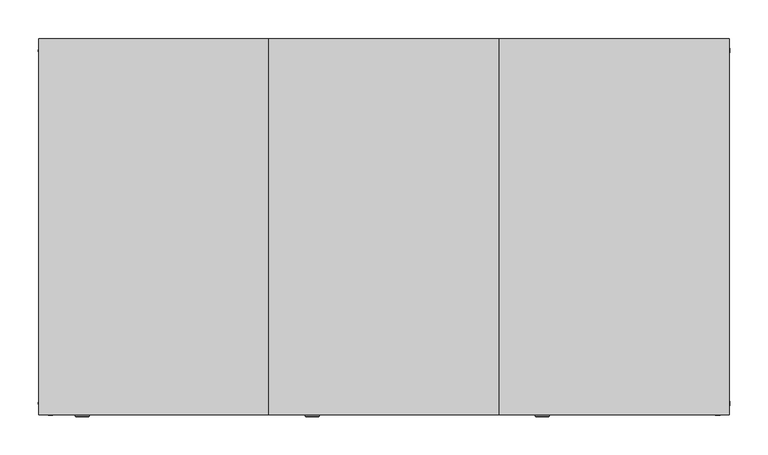
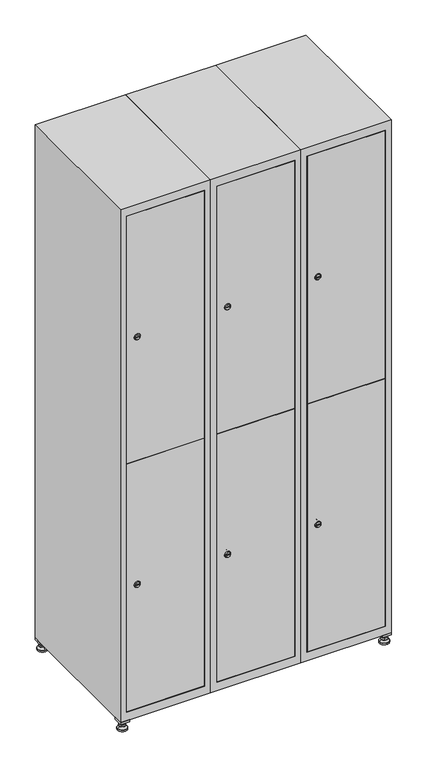
"""IFC4 building model written with IfcOpenShell, lengths in millimetres: furniture geometry."""

from ifc_helpers import new_model, si_unit, point, frame, frame_2d, origin, origin_with_axes, place, context, project, spatial, polyline, circle_curve, trimmed, segment, composite_curve, outline, extrude, faceted_brep, source, transform, mapped, element, save
from ifc_brep_helpers import plane_surface, revolved_surface, advanced_brep


def furniture_56a42b9b(model_context):
    return source(origin(), model_context, "Body", "SolidModel", [
        extrude(outline(polyline([(700.0, 245.0), (700.0, 215.0), (670.0, 215.0), (670.0, 245.0), (700.0, 245.0)]), holes=[polyline([(698.0, 243.0), (672.0, 243.0), (672.0, 217.0), (698.0, 217.0), (698.0, 243.0)])]), frame((0.0, 0.0, 28.5), z_axis=(0.0, 0.0, 1.0), x_axis=(1.0, 0.0, 0.0)), (0.0, 0.0, 1.0), 6.5),
        extrude(outline(polyline([(670.0, -245.0), (670.0, -215.0), (700.0, -215.0), (700.0, -245.0), (670.0, -245.0)]), holes=[polyline([(672.0, -243.0), (698.0, -243.0), (698.0, -217.0), (672.0, -217.0), (672.0, -243.0)])]), frame((0.0, 0.0, 28.5), z_axis=(0.0, 0.0, 1.0), x_axis=(1.0, 0.0, 0.0)), (0.0, 0.0, 1.0), 6.5),
        extrude(outline(polyline([(-170.0, 245.0), (-170.0, 215.0), (-200.0, 215.0), (-200.0, 245.0), (-170.0, 245.0)]), holes=[polyline([(-172.0, 243.0), (-198.0, 243.0), (-198.0, 217.0), (-172.0, 217.0), (-172.0, 243.0)])]), frame((0.0, 0.0, 28.5), z_axis=(0.0, 0.0, 1.0), x_axis=(1.0, 0.0, 0.0)), (0.0, 0.0, 1.0), 6.5),
        extrude(outline(polyline([(-170.0, -215.0), (-170.0, -245.0), (-200.0, -245.0), (-200.0, -215.0), (-170.0, -215.0)]), holes=[polyline([(-198.0, -243.0), (-172.0, -243.0), (-172.0, -217.0), (-198.0, -217.0), (-198.0, -243.0)])]), frame((0.0, 0.0, 28.5), z_axis=(0.0, 0.0, 1.0), x_axis=(1.0, 0.0, 0.0)), (0.0, 0.0, 1.0), 6.5),
        extrude(outline(composite_curve([segment(trimmed(circle_curve(frame_2d((-185.0, 230.0)), 5.0), [point((-180.0, 230.0))], [point((-190.0, 230.0))], False, "CARTESIAN"), True, "CONTINUOUS"), segment(trimmed(circle_curve(frame_2d((-185.0, 230.0)), 5.0), [point((-190.0, 230.0))], [point((-180.0, 230.0))], False, "CARTESIAN"), True, "CONTINUOUS")], self_intersect=False)), frame((0.0, 0.0, 19.6), z_axis=(0.0, 0.0, 1.0), x_axis=(1.0, 0.0, 0.0)), (0.0, 0.0, 1.0), 15.4),
        extrude(outline(composite_curve([segment(trimmed(circle_curve(frame_2d((-185.0, -230.0)), 5.0), [point((-180.0, -230.0))], [point((-190.0, -230.0))], False, "CARTESIAN"), True, "CONTINUOUS"), segment(trimmed(circle_curve(frame_2d((-185.0, -230.0)), 5.0), [point((-190.0, -230.0))], [point((-180.0, -230.0))], False, "CARTESIAN"), True, "CONTINUOUS")], self_intersect=False)), frame((0.0, 0.0, 19.6), z_axis=(0.0, 0.0, 1.0), x_axis=(1.0, 0.0, 0.0)), (0.0, 0.0, 1.0), 15.4),
        extrude(outline(composite_curve([segment(trimmed(circle_curve(frame_2d((685.0, 230.0)), 5.0), [point((690.0, 230.0))], [point((680.0, 230.0))], False, "CARTESIAN"), True, "CONTINUOUS"), segment(trimmed(circle_curve(frame_2d((685.0, 230.0)), 5.0), [point((680.0, 230.0))], [point((690.0, 230.0))], False, "CARTESIAN"), True, "CONTINUOUS")], self_intersect=False)), frame((0.0, 0.0, 19.6), z_axis=(0.0, 0.0, 1.0), x_axis=(1.0, 0.0, 0.0)), (0.0, 0.0, 1.0), 15.4),
        extrude(outline(polyline([(673.4529946, 230.0), (679.2264973, 240.0), (690.7735027, 240.0), (696.5470054, 230.0), (690.7735027, 220.0), (679.2264973, 220.0), (673.4529946, 230.0)])), frame((0.0, 0.0, 13.6), z_axis=(0.0, 0.0, 1.0), x_axis=(1.0, 0.0, 0.0)), (0.0, 0.0, 1.0), 6.0),
        extrude(outline(composite_curve([segment(trimmed(circle_curve(frame_2d((685.0, -230.0)), 5.0), [point((690.0, -230.0))], [point((680.0, -230.0))], False, "CARTESIAN"), True, "CONTINUOUS"), segment(trimmed(circle_curve(frame_2d((685.0, -230.0)), 5.0), [point((680.0, -230.0))], [point((690.0, -230.0))], False, "CARTESIAN"), True, "CONTINUOUS")], self_intersect=False)), frame((0.0, 0.0, 19.6), z_axis=(0.0, 0.0, 1.0), x_axis=(1.0, 0.0, 0.0)), (0.0, 0.0, 1.0), 15.4),
        extrude(outline(polyline([(673.4529946, -230.0), (679.2264973, -220.0), (690.7735027, -220.0), (696.5470054, -230.0), (690.7735027, -240.0), (679.2264973, -240.0), (673.4529946, -230.0)])), frame((0.0, 0.0, 13.6), z_axis=(0.0, 0.0, 1.0), x_axis=(1.0, 0.0, 0.0)), (0.0, 0.0, 1.0), 6.0),
        extrude(outline(composite_curve([segment(trimmed(circle_curve(frame_2d((685.0, 230.0)), 5.0), [point((690.0, 230.0))], [point((680.0, 230.0))], False, "CARTESIAN"), True, "CONTINUOUS"), segment(trimmed(circle_curve(frame_2d((685.0, 230.0)), 5.0), [point((680.0, 230.0))], [point((690.0, 230.0))], False, "CARTESIAN"), True, "CONTINUOUS")], self_intersect=False)), frame((0.0, 0.0, 12.1), z_axis=(0.0, 0.0, 1.0), x_axis=(1.0, 0.0, 0.0)), (0.0, 0.0, 1.0), 1.5),
        extrude(outline(composite_curve([segment(trimmed(circle_curve(frame_2d((685.0, -230.0)), 5.0), [point((690.0, -230.0))], [point((680.0, -230.0))], False, "CARTESIAN"), True, "CONTINUOUS"), segment(trimmed(circle_curve(frame_2d((685.0, -230.0)), 5.0), [point((680.0, -230.0))], [point((690.0, -230.0))], False, "CARTESIAN"), True, "CONTINUOUS")], self_intersect=False)), frame((0.0, 0.0, 12.1), z_axis=(0.0, 0.0, 1.0), x_axis=(1.0, 0.0, 0.0)), (0.0, 0.0, 1.0), 1.5),
        extrude(outline(polyline([(-196.5470054, 230.0), (-190.7735027, 240.0), (-179.2264973, 240.0), (-173.4529946, 230.0), (-179.2264973, 220.0), (-190.7735027, 220.0), (-196.5470054, 230.0)])), frame((0.0, 0.0, 13.6), z_axis=(0.0, 0.0, 1.0), x_axis=(1.0, 0.0, 0.0)), (0.0, 0.0, 1.0), 6.0),
        extrude(outline(polyline([(-196.5470054, -230.0), (-190.7735027, -220.0), (-179.2264973, -220.0), (-173.4529946, -230.0), (-179.2264973, -240.0), (-190.7735027, -240.0), (-196.5470054, -230.0)])), frame((0.0, 0.0, 13.6), z_axis=(0.0, 0.0, 1.0), x_axis=(1.0, 0.0, 0.0)), (0.0, 0.0, 1.0), 6.0),
        extrude(outline(composite_curve([segment(trimmed(circle_curve(frame_2d((-185.0, 230.0)), 5.0), [point((-185.0, 235.0))], [point((-185.0, 225.0))], False, "CARTESIAN"), True, "CONTINUOUS"), segment(trimmed(circle_curve(frame_2d((-185.0, 230.0)), 5.0), [point((-185.0, 225.0))], [point((-185.0, 235.0))], False, "CARTESIAN"), True, "CONTINUOUS")], self_intersect=False)), frame((0.0, 0.0, 12.1), z_axis=(0.0, 0.0, 1.0), x_axis=(1.0, 0.0, 0.0)), (0.0, 0.0, 1.0), 1.5),
        extrude(outline(composite_curve([segment(trimmed(circle_curve(frame_2d((-185.0, -230.0)), 5.0), [point((-180.0, -230.0))], [point((-190.0, -230.0))], False, "CARTESIAN"), True, "CONTINUOUS"), segment(trimmed(circle_curve(frame_2d((-185.0, -230.0)), 5.0), [point((-190.0, -230.0))], [point((-180.0, -230.0))], False, "CARTESIAN"), True, "CONTINUOUS")], self_intersect=False)), frame((0.0, 0.0, 12.1), z_axis=(0.0, 0.0, 1.0), x_axis=(1.0, 0.0, 0.0)), (0.0, 0.0, 1.0), 1.5),
        extrude(outline(composite_curve([segment(trimmed(circle_curve(frame_2d((685.0, 230.0)), 15.75), [point((700.75, 230.0))], [point((669.25, 230.0))], False, "CARTESIAN"), True, "CONTINUOUS"), segment(trimmed(circle_curve(frame_2d((685.0, 230.0)), 15.75), [point((669.25, 230.0))], [point((700.75, 230.0))], False, "CARTESIAN"), True, "CONTINUOUS")], self_intersect=False)), origin_with_axes(), (0.0, 0.0, 1.0), 5.1),
        extrude(outline(composite_curve([segment(trimmed(circle_curve(frame_2d((685.0, -230.0)), 15.75), [point((685.0, -214.25))], [point((685.0, -245.75))], False, "CARTESIAN"), True, "CONTINUOUS"), segment(trimmed(circle_curve(frame_2d((685.0, -230.0)), 15.75), [point((685.0, -245.75))], [point((685.0, -214.25))], False, "CARTESIAN"), True, "CONTINUOUS")], self_intersect=False)), origin_with_axes(), (0.0, 0.0, 1.0), 5.1),
        extrude(outline(composite_curve([segment(trimmed(circle_curve(frame_2d((-185.0, -230.0)), 15.75), [point((-169.25, -230.0))], [point((-200.75, -230.0))], False, "CARTESIAN"), True, "CONTINUOUS"), segment(trimmed(circle_curve(frame_2d((-185.0, -230.0)), 15.75), [point((-200.75, -230.0))], [point((-169.25, -230.0))], False, "CARTESIAN"), True, "CONTINUOUS")], self_intersect=False)), origin_with_axes(), (0.0, 0.0, 1.0), 5.1),
        extrude(outline(composite_curve([segment(trimmed(circle_curve(frame_2d((-185.0, 230.0)), 15.75), [point((-169.25, 230.0))], [point((-200.75, 230.0))], False, "CARTESIAN"), True, "CONTINUOUS"), segment(trimmed(circle_curve(frame_2d((-185.0, 230.0)), 15.75), [point((-200.75, 230.0))], [point((-169.25, 230.0))], False, "CARTESIAN"), True, "CONTINUOUS")], self_intersect=False)), origin_with_axes(), (0.0, 0.0, 1.0), 5.1),
        advanced_brep(
        [(-185.0, 245.75, 5.1), (-185.0, 214.25, 5.1), (-185.0, 239.5, 12.1), (-185.0, 220.5, 12.1)],
        [
            (0, 1, circle_curve(frame((-185.0, 230.0, 5.1), z_axis=(0.0, 0.0, -1.0), x_axis=(0.0, 1.0, 0.0)), 15.75)),
            (1, 0, circle_curve(frame((-185.0, 230.0, 5.1), z_axis=(0.0, 0.0, -1.0), x_axis=(0.0, -1.0, 0.0)), 15.75)),
            (2, 3, circle_curve(frame((-185.0, 230.0, 12.1), z_axis=(0.0, 0.0, 1.0), x_axis=(0.0, -1.0, 0.0)), 9.5)),
            (3, 2, circle_curve(frame((-185.0, 230.0, 12.1), z_axis=(0.0, 0.0, 1.0), x_axis=(0.0, 1.0, 0.0)), 9.5)),
            (3, 1),
            (0, 2),
        ],
        [
            plane_surface(frame((-185.0, 230.0, 5.1), z_axis=(0.0, 0.0, -1.0), x_axis=(1.0, 0.0, 0.0))),
            plane_surface(frame((-185.0, 230.0, 12.1), z_axis=(0.0, 0.0, 1.0), x_axis=(1.0, 0.0, 0.0))),
            revolved_surface(polyline([(-185.0, 220.5, 12.099999999999998), (-185.0, 214.25, 5.099999999999998)]), (-185.0, 230.0, 22.74), (0.0, 0.0, -1.0)),
            revolved_surface(polyline([(-185.0, 239.5, 12.099999999999998), (-185.0, 245.75, 5.099999999999998)]), (-185.0, 230.0, 22.74), (0.0, 0.0, -1.0)),
        ],
        [
            (0, [[1, 2]]),
            (1, [[3, 4]]),
            (2, [[-4, 5, -1, 6]]),
            (3, [[-3, -6, -2, -5]]),
        ],
    ),
        advanced_brep(
        [(685.0, 245.75, 5.1), (685.0, 214.25, 5.1), (685.0, 239.5, 12.1), (685.0, 220.5, 12.1)],
        [
            (0, 1, circle_curve(frame((685.0, 230.0, 5.1), z_axis=(0.0, 0.0, -1.0), x_axis=(0.0, 1.0, 0.0)), 15.75)),
            (1, 0, circle_curve(frame((685.0, 230.0, 5.1), z_axis=(0.0, 0.0, -1.0), x_axis=(0.0, -1.0, 0.0)), 15.75)),
            (2, 3, circle_curve(frame((685.0, 230.0, 12.1), z_axis=(0.0, 0.0, 1.0), x_axis=(0.0, -1.0, 0.0)), 9.5)),
            (3, 2, circle_curve(frame((685.0, 230.0, 12.1), z_axis=(0.0, 0.0, 1.0), x_axis=(0.0, 1.0, 0.0)), 9.5)),
            (3, 1),
            (0, 2),
        ],
        [
            plane_surface(frame((685.0, 230.0, 5.1), z_axis=(0.0, 0.0, -1.0), x_axis=(1.0, 0.0, 0.0))),
            plane_surface(frame((685.0, 230.0, 12.1), z_axis=(0.0, 0.0, 1.0), x_axis=(1.0, 0.0, 0.0))),
            revolved_surface(polyline([(685.0, 220.5, 12.099999999999998), (685.0, 214.25, 5.099999999999998)]), (685.0, 230.0, 22.74), (0.0, 0.0, -1.0)),
            revolved_surface(polyline([(685.0, 239.5, 12.099999999999998), (685.0, 245.75, 5.099999999999998)]), (685.0, 230.0, 22.74), (0.0, 0.0, -1.0)),
        ],
        [
            (0, [[1, 2]]),
            (1, [[3, 4]]),
            (2, [[-4, 5, -1, 6]]),
            (3, [[-3, -6, -2, -5]]),
        ],
    ),
        advanced_brep(
        [(694.5, -230.0, 12.1), (675.5, -230.0, 12.1), (700.75, -230.0, 5.1), (669.25, -230.0, 5.1)],
        [
            (0, 1, circle_curve(frame((685.0, -230.0, 12.1), z_axis=(0.0, 0.0, 1.0), x_axis=(1.0, 0.0, 0.0)), 9.5)),
            (1, 0, circle_curve(frame((685.0, -230.0, 12.1), z_axis=(0.0, 0.0, 1.0), x_axis=(-1.0, 0.0, 0.0)), 9.5)),
            (2, 3, circle_curve(frame((685.0, -230.0, 5.1), z_axis=(0.0, 0.0, -1.0), x_axis=(-1.0, 0.0, 0.0)), 15.75)),
            (3, 2, circle_curve(frame((685.0, -230.0, 5.1), z_axis=(0.0, 0.0, -1.0), x_axis=(1.0, 0.0, 0.0)), 15.75)),
            (3, 1),
            (0, 2),
        ],
        [
            plane_surface(frame((685.0, -230.0, 12.1), z_axis=(0.0, 0.0, 1.0), x_axis=(0.0, 1.0, 0.0))),
            plane_surface(frame((685.0, -230.0, 5.1), z_axis=(0.0, 0.0, -1.0), x_axis=(0.0, 1.0, 0.0))),
            revolved_surface(polyline([(694.5, -230.0, 12.099999999999998), (700.75, -230.0, 5.099999999999998)]), (685.0, -230.0, 22.74), (0.0, 0.0, -1.0)),
            revolved_surface(polyline([(675.5, -230.0, 12.099999999999998), (669.25, -230.0, 5.099999999999998)]), (685.0, -230.0, 22.74), (0.0, 0.0, -1.0)),
        ],
        [
            (0, [[1, 2]]),
            (1, [[3, 4]]),
            (2, [[-4, 5, -1, 6]]),
            (3, [[-3, -6, -2, -5]]),
        ],
    ),
        advanced_brep(
        [(-175.5, -230.0, 12.1), (-194.5, -230.0, 12.1), (-169.25, -230.0, 5.1), (-200.75, -230.0, 5.1)],
        [
            (0, 1, circle_curve(frame((-185.0, -230.0, 12.1), z_axis=(0.0, 0.0, 1.0), x_axis=(1.0, 0.0, 0.0)), 9.5)),
            (1, 0, circle_curve(frame((-185.0, -230.0, 12.1), z_axis=(0.0, 0.0, 1.0), x_axis=(-1.0, 0.0, 0.0)), 9.5)),
            (2, 3, circle_curve(frame((-185.0, -230.0, 5.1), z_axis=(0.0, 0.0, -1.0), x_axis=(-1.0, 0.0, 0.0)), 15.75)),
            (3, 2, circle_curve(frame((-185.0, -230.0, 5.1), z_axis=(0.0, 0.0, -1.0), x_axis=(1.0, 0.0, 0.0)), 15.75)),
            (3, 1),
            (0, 2),
        ],
        [
            plane_surface(frame((-185.0, -230.0, 12.1), z_axis=(0.0, 0.0, 1.0), x_axis=(0.0, 1.0, 0.0))),
            plane_surface(frame((-185.0, -230.0, 5.1), z_axis=(0.0, 0.0, -1.0), x_axis=(0.0, 1.0, 0.0))),
            revolved_surface(polyline([(-175.5, -230.0, 12.099999999999998), (-169.25, -230.0, 5.099999999999998)]), (-185.0, -230.0, 22.74), (0.0, 0.0, -1.0)),
            revolved_surface(polyline([(-194.5, -230.0, 12.099999999999998), (-200.75, -230.0, 5.099999999999998)]), (-185.0, -230.0, 22.74), (0.0, 0.0, -1.0)),
        ],
        [
            (0, [[1, 2]]),
            (1, [[3, 4]]),
            (2, [[-4, 5, -1, 6]]),
            (3, [[-3, -6, -2, -5]]),
        ],
    ),
        extrude(outline(composite_curve([segment(trimmed(circle_curve(frame_2d((500.6, 429.6010534)), 7.0), [point((507.6, 429.6010534))], [point((493.6, 429.6010534))], False, "CARTESIAN"), True, "CONTINUOUS"), segment(polyline([(493.6, 429.6010534), (493.6, 457.6010534)]), True, "CONTINUOUS"), segment(trimmed(circle_curve(frame_2d((500.6, 457.6010534)), 7.0), [point((493.6, 457.6010534))], [point((507.6, 457.6010534))], False, "CARTESIAN"), True, "CONTINUOUS"), segment(polyline([(507.6, 457.6010534), (507.6, 429.6010534)]), True, "CONTINUOUS")], self_intersect=False)), frame((0.0, -227.0, 0.0), z_axis=(0.0, 1.0, 0.0), x_axis=(0.0, 0.0, 1.0)), (0.0, 0.0, 1.0), 2.0),
        advanced_brep(
        [(464.9, -247.2, 500.6), (447.9, -247.2, 500.6), (451.4, -247.2, 499.35), (451.4, -247.2, 501.85), (461.4, -247.2, 501.85), (461.4, -247.2, 499.35), (466.9, -245.0, 500.6), (445.9, -245.0, 500.6), (451.4, -245.0, 501.85), (451.4, -245.0, 499.35), (461.4, -245.0, 499.35), (461.4, -245.0, 501.85)],
        [
            (0, 1, circle_curve(frame((456.4, -247.2, 500.6), z_axis=(0.0, -1.0, 0.0), x_axis=(1.0, 0.0, 0.0)), 8.5)),
            (1, 0, circle_curve(frame((456.4, -247.2, 500.6), z_axis=(0.0, -1.0, 0.0), x_axis=(-1.0, 0.0, 0.0)), 8.5)),
            (2, 3),
            (3, 4),
            (4, 5),
            (5, 2),
            (6, 7, circle_curve(frame((456.4, -245.0, 500.6), z_axis=(0.0, 1.0, 0.0), x_axis=(-1.0, 0.0, 0.0)), 10.5)),
            (7, 6, circle_curve(frame((456.4, -245.0, 500.6), z_axis=(0.0, 1.0, 0.0), x_axis=(1.0, 0.0, 0.0)), 10.5)),
            (8, 9),
            (9, 10),
            (10, 11),
            (11, 8),
            (0, 6),
            (7, 1),
            (8, 3),
            (2, 9),
            (11, 4),
            (10, 5),
        ],
        [
            plane_surface(frame((456.4, -247.2, 500.6), z_axis=(0.0, -1.0, 0.0), x_axis=(0.0, 0.0, 1.0))),
            plane_surface(frame((456.4, -245.0, 500.6), z_axis=(0.0, 1.0, 0.0), x_axis=(0.0, 0.0, 1.0))),
            revolved_surface(polyline([(464.9, -247.2, 500.6), (466.9, -245.0, 500.6)]), (456.4, -256.55, 500.6), (0.0, 1.0, 0.0)),
            revolved_surface(polyline([(447.9, -247.2, 500.6), (445.9, -245.0, 500.6)]), (456.4, -256.55, 500.6), (0.0, 1.0, 0.0)),
            plane_surface(frame((451.4, -245.0, 499.35), z_axis=(1.0, 0.0, 0.0), x_axis=(0.0, -1.0, 0.0))),
            plane_surface(frame((451.4, -245.0, 501.85), z_axis=(0.0, 0.0, -1.0), x_axis=(0.0, -1.0, 0.0))),
            plane_surface(frame((461.4, -245.0, 501.85), z_axis=(-1.0, 0.0, 0.0), x_axis=(0.0, -1.0, 0.0))),
            plane_surface(frame((461.4, -245.0, 499.35), z_axis=(0.0, 0.0, 1.0), x_axis=(0.0, -1.0, 0.0))),
        ],
        [
            (0, [[1, 2], [3, 4, 5, 6]]),
            (1, [[7, 8], [9, 10, 11, 12]]),
            (2, [[-1, 13, -8, 14]]),
            (3, [[-2, -14, -7, -13]]),
            (4, [[15, -3, 16, -9]]),
            (5, [[-15, -12, 17, -4]]),
            (6, [[-17, -11, 18, -5]]),
            (7, [[-16, -6, -18, -10]]),
        ],
    ),
        extrude(outline(composite_curve([segment(trimmed(circle_curve(frame_2d((1369.4, 429.6010534)), 7.0), [point((1376.4, 429.6010534))], [point((1362.4, 429.6010534))], False, "CARTESIAN"), True, "CONTINUOUS"), segment(polyline([(1362.4, 429.6010534), (1362.4, 457.6010534)]), True, "CONTINUOUS"), segment(trimmed(circle_curve(frame_2d((1369.4, 457.6010534)), 7.0), [point((1362.4, 457.6010534))], [point((1376.4, 457.6010534))], False, "CARTESIAN"), True, "CONTINUOUS"), segment(polyline([(1376.4, 457.6010534), (1376.4, 429.6010534)]), True, "CONTINUOUS")], self_intersect=False)), frame((0.0, -227.0, 0.0), z_axis=(0.0, 1.0, 0.0), x_axis=(0.0, 0.0, 1.0)), (0.0, 0.0, 1.0), 2.0),
        advanced_brep(
        [(464.9, -247.2, 1369.4), (447.9, -247.2, 1369.4), (451.4, -247.2, 1368.15), (451.4, -247.2, 1370.65), (461.4, -247.2, 1370.65), (461.4, -247.2, 1368.15), (466.9, -245.0, 1369.4), (445.9, -245.0, 1369.4), (451.4, -245.0, 1370.65), (451.4, -245.0, 1368.15), (461.4, -245.0, 1368.15), (461.4, -245.0, 1370.65)],
        [
            (0, 1, circle_curve(frame((456.4, -247.2, 1369.4), z_axis=(0.0, -1.0, 0.0), x_axis=(1.0, 0.0, 0.0)), 8.5)),
            (1, 0, circle_curve(frame((456.4, -247.2, 1369.4), z_axis=(0.0, -1.0, 0.0), x_axis=(-1.0, 0.0, 0.0)), 8.5)),
            (2, 3),
            (3, 4),
            (4, 5),
            (5, 2),
            (6, 7, circle_curve(frame((456.4, -245.0, 1369.4), z_axis=(0.0, 1.0, 0.0), x_axis=(-1.0, 0.0, 0.0)), 10.5)),
            (7, 6, circle_curve(frame((456.4, -245.0, 1369.4), z_axis=(0.0, 1.0, 0.0), x_axis=(1.0, 0.0, 0.0)), 10.5)),
            (8, 9),
            (9, 10),
            (10, 11),
            (11, 8),
            (0, 6),
            (7, 1),
            (8, 3),
            (2, 9),
            (11, 4),
            (10, 5),
        ],
        [
            plane_surface(frame((456.4, -247.2, 1369.4), z_axis=(0.0, -1.0, 0.0), x_axis=(0.0, 0.0, 1.0))),
            plane_surface(frame((456.4, -245.0, 1369.4), z_axis=(0.0, 1.0, 0.0), x_axis=(0.0, 0.0, 1.0))),
            revolved_surface(polyline([(464.9, -247.2, 1369.4), (466.9, -245.0, 1369.4)]), (456.4, -256.55, 1369.4), (0.0, 1.0, 0.0)),
            revolved_surface(polyline([(447.9, -247.2, 1369.4), (445.9, -245.0, 1369.4)]), (456.4, -256.55, 1369.4), (0.0, 1.0, 0.0)),
            plane_surface(frame((451.4, -245.0, 1368.15), z_axis=(1.0, 0.0, 0.0), x_axis=(0.0, -1.0, 0.0))),
            plane_surface(frame((451.4, -245.0, 1370.65), z_axis=(0.0, 0.0, -1.0), x_axis=(0.0, -1.0, 0.0))),
            plane_surface(frame((461.4, -245.0, 1370.65), z_axis=(-1.0, 0.0, 0.0), x_axis=(0.0, -1.0, 0.0))),
            plane_surface(frame((461.4, -245.0, 1368.15), z_axis=(0.0, 0.0, 1.0), x_axis=(0.0, -1.0, 0.0))),
        ],
        [
            (0, [[1, 2], [3, 4, 5, 6]]),
            (1, [[7, 8], [9, 10, 11, 12]]),
            (2, [[-1, 13, -8, 14]]),
            (3, [[-2, -14, -7, -13]]),
            (4, [[15, -3, 16, -9]]),
            (5, [[-15, -12, 17, -4]]),
            (6, [[-17, -11, 18, -5]]),
            (7, [[-16, -6, -18, -10]]),
        ],
    ),
        extrude(outline(polyline([(421.4, -245.0), (421.4, -227.0), (678.6, -227.0), (678.6, -245.0), (421.4, -245.0)])), frame((0.0, 0.0, 66.2), z_axis=(0.0, 0.0, 1.0), x_axis=(1.0, 0.0, 0.0)), (0.0, 0.0, 1.0), 868.3),
        extrude(outline(polyline([(678.6, -227.0), (678.6, -245.0), (421.4, -245.0), (421.4, -227.0), (678.6, -227.0)])), frame((0.0, 0.0, 935.5), z_axis=(0.0, 0.0, 1.0), x_axis=(1.0, 0.0, 0.0)), (0.0, 0.0, 1.0), 868.3),
        extrude(outline(polyline([(679.6, 242.0), (679.6, -227.0), (420.4, -227.0), (420.4, 242.0), (679.6, 242.0)])), frame((0.0, 0.0, 924.8), z_axis=(0.0, 0.0, 1.0), x_axis=(1.0, 0.0, 0.0)), (0.0, 0.0, 1.0), 20.4),
        faceted_brep([(700.0, -245.0, 35.0), (700.0, -245.0, 1835.0), (400.0, -245.0, 1835.0), (400.0, -245.0, 35.0), (679.6, -245.0, 1804.8), (679.6, -245.0, 65.2), (420.4, -245.0, 65.2), (420.4, -245.0, 1804.8), (700.0, 245.0, 35.0), (400.0, 245.0, 35.0), (700.0, 245.0, 1835.0), (400.0, 245.0, 1835.0), (679.6, 242.0, 1804.8), (679.6, 242.0, 65.2), (400.0, 245.0, 1804.8), (420.4, 242.0, 1804.8), (420.4, 242.0, 65.2)], [[[0, 1, 2, 3], [4, 5, 6, 7]], [[8, 0, 3, 9]], [[1, 0, 8, 10]], [[1, 10, 11, 2]], [[4, 12, 13, 5]], [[9, 3, 2, 11, 14]], [[10, 8, 9, 14, 11]], [[12, 15, 16, 13]], [[15, 7, 6, 16]], [[4, 7, 15, 12]], [[6, 5, 13, 16]]]),
        extrude(outline(composite_curve([segment(trimmed(circle_curve(frame_2d((500.6, 129.6010534)), 7.0), [point((507.6, 129.6010534))], [point((493.6, 129.6010534))], False, "CARTESIAN"), True, "CONTINUOUS"), segment(polyline([(493.6, 129.6010534), (493.6, 157.6010534)]), True, "CONTINUOUS"), segment(trimmed(circle_curve(frame_2d((500.6, 157.6010534)), 7.0), [point((493.6, 157.6010534))], [point((507.6, 157.6010534))], False, "CARTESIAN"), True, "CONTINUOUS"), segment(polyline([(507.6, 157.6010534), (507.6, 129.6010534)]), True, "CONTINUOUS")], self_intersect=False)), frame((0.0, -227.0, 0.0), z_axis=(0.0, 1.0, 0.0), x_axis=(0.0, 0.0, 1.0)), (0.0, 0.0, 1.0), 2.0),
        advanced_brep(
        [(164.9, -247.2, 500.6), (147.9, -247.2, 500.6), (151.4, -247.2, 499.35), (151.4, -247.2, 501.85), (161.4, -247.2, 501.85), (161.4, -247.2, 499.35), (166.9, -245.0, 500.6), (145.9, -245.0, 500.6), (151.4, -245.0, 501.85), (151.4, -245.0, 499.35), (161.4, -245.0, 499.35), (161.4, -245.0, 501.85)],
        [
            (0, 1, circle_curve(frame((156.4, -247.2, 500.6), z_axis=(0.0, -1.0, 0.0), x_axis=(1.0, 0.0, 0.0)), 8.5)),
            (1, 0, circle_curve(frame((156.4, -247.2, 500.6), z_axis=(0.0, -1.0, 0.0), x_axis=(-1.0, 0.0, 0.0)), 8.5)),
            (2, 3),
            (3, 4),
            (4, 5),
            (5, 2),
            (6, 7, circle_curve(frame((156.4, -245.0, 500.6), z_axis=(0.0, 1.0, 0.0), x_axis=(-1.0, 0.0, 0.0)), 10.5)),
            (7, 6, circle_curve(frame((156.4, -245.0, 500.6), z_axis=(0.0, 1.0, 0.0), x_axis=(1.0, 0.0, 0.0)), 10.5)),
            (8, 9),
            (9, 10),
            (10, 11),
            (11, 8),
            (0, 6),
            (7, 1),
            (8, 3),
            (2, 9),
            (11, 4),
            (10, 5),
        ],
        [
            plane_surface(frame((156.4, -247.2, 500.6), z_axis=(0.0, -1.0, 0.0), x_axis=(0.0, 0.0, 1.0))),
            plane_surface(frame((156.4, -245.0, 500.6), z_axis=(0.0, 1.0, 0.0), x_axis=(0.0, 0.0, 1.0))),
            revolved_surface(polyline([(164.9, -247.2, 500.6), (166.9, -245.0, 500.6)]), (156.4, -256.55, 500.6), (0.0, 1.0, 0.0)),
            revolved_surface(polyline([(147.9, -247.2, 500.6), (145.9, -245.0, 500.6)]), (156.4, -256.55, 500.6), (0.0, 1.0, 0.0)),
            plane_surface(frame((151.4, -245.0, 499.35), z_axis=(1.0, 0.0, 0.0), x_axis=(0.0, -1.0, 0.0))),
            plane_surface(frame((151.4, -245.0, 501.85), z_axis=(0.0, 0.0, -1.0), x_axis=(0.0, -1.0, 0.0))),
            plane_surface(frame((161.4, -245.0, 501.85), z_axis=(-1.0, 0.0, 0.0), x_axis=(0.0, -1.0, 0.0))),
            plane_surface(frame((161.4, -245.0, 499.35), z_axis=(0.0, 0.0, 1.0), x_axis=(0.0, -1.0, 0.0))),
        ],
        [
            (0, [[1, 2], [3, 4, 5, 6]]),
            (1, [[7, 8], [9, 10, 11, 12]]),
            (2, [[-1, 13, -8, 14]]),
            (3, [[-2, -14, -7, -13]]),
            (4, [[15, -3, 16, -9]]),
            (5, [[-15, -12, 17, -4]]),
            (6, [[-17, -11, 18, -5]]),
            (7, [[-16, -6, -18, -10]]),
        ],
    ),
        extrude(outline(composite_curve([segment(trimmed(circle_curve(frame_2d((1369.4, 129.6010534)), 7.0), [point((1376.4, 129.6010534))], [point((1362.4, 129.6010534))], False, "CARTESIAN"), True, "CONTINUOUS"), segment(polyline([(1362.4, 129.6010534), (1362.4, 157.6010534)]), True, "CONTINUOUS"), segment(trimmed(circle_curve(frame_2d((1369.4, 157.6010534)), 7.0), [point((1362.4, 157.6010534))], [point((1376.4, 157.6010534))], False, "CARTESIAN"), True, "CONTINUOUS"), segment(polyline([(1376.4, 157.6010534), (1376.4, 129.6010534)]), True, "CONTINUOUS")], self_intersect=False)), frame((0.0, -227.0, 0.0), z_axis=(0.0, 1.0, 0.0), x_axis=(0.0, 0.0, 1.0)), (0.0, 0.0, 1.0), 2.0),
        advanced_brep(
        [(164.9, -247.2, 1369.4), (147.9, -247.2, 1369.4), (151.4, -247.2, 1368.15), (151.4, -247.2, 1370.65), (161.4, -247.2, 1370.65), (161.4, -247.2, 1368.15), (166.9, -245.0, 1369.4), (145.9, -245.0, 1369.4), (151.4, -245.0, 1370.65), (151.4, -245.0, 1368.15), (161.4, -245.0, 1368.15), (161.4, -245.0, 1370.65)],
        [
            (0, 1, circle_curve(frame((156.4, -247.2, 1369.4), z_axis=(0.0, -1.0, 0.0), x_axis=(1.0, 0.0, 0.0)), 8.5)),
            (1, 0, circle_curve(frame((156.4, -247.2, 1369.4), z_axis=(0.0, -1.0, 0.0), x_axis=(-1.0, 0.0, 0.0)), 8.5)),
            (2, 3),
            (3, 4),
            (4, 5),
            (5, 2),
            (6, 7, circle_curve(frame((156.4, -245.0, 1369.4), z_axis=(0.0, 1.0, 0.0), x_axis=(-1.0, 0.0, 0.0)), 10.5)),
            (7, 6, circle_curve(frame((156.4, -245.0, 1369.4), z_axis=(0.0, 1.0, 0.0), x_axis=(1.0, 0.0, 0.0)), 10.5)),
            (8, 9),
            (9, 10),
            (10, 11),
            (11, 8),
            (0, 6),
            (7, 1),
            (8, 3),
            (2, 9),
            (11, 4),
            (10, 5),
        ],
        [
            plane_surface(frame((156.4, -247.2, 1369.4), z_axis=(0.0, -1.0, 0.0), x_axis=(0.0, 0.0, 1.0))),
            plane_surface(frame((156.4, -245.0, 1369.4), z_axis=(0.0, 1.0, 0.0), x_axis=(0.0, 0.0, 1.0))),
            revolved_surface(polyline([(164.9, -247.2, 1369.4), (166.9, -245.0, 1369.4)]), (156.4, -256.55, 1369.4), (0.0, 1.0, 0.0)),
            revolved_surface(polyline([(147.9, -247.2, 1369.4), (145.9, -245.0, 1369.4)]), (156.4, -256.55, 1369.4), (0.0, 1.0, 0.0)),
            plane_surface(frame((151.4, -245.0, 1368.15), z_axis=(1.0, 0.0, 0.0), x_axis=(0.0, -1.0, 0.0))),
            plane_surface(frame((151.4, -245.0, 1370.65), z_axis=(0.0, 0.0, -1.0), x_axis=(0.0, -1.0, 0.0))),
            plane_surface(frame((161.4, -245.0, 1370.65), z_axis=(-1.0, 0.0, 0.0), x_axis=(0.0, -1.0, 0.0))),
            plane_surface(frame((161.4, -245.0, 1368.15), z_axis=(0.0, 0.0, 1.0), x_axis=(0.0, -1.0, 0.0))),
        ],
        [
            (0, [[1, 2], [3, 4, 5, 6]]),
            (1, [[7, 8], [9, 10, 11, 12]]),
            (2, [[-1, 13, -8, 14]]),
            (3, [[-2, -14, -7, -13]]),
            (4, [[15, -3, 16, -9]]),
            (5, [[-15, -12, 17, -4]]),
            (6, [[-17, -11, 18, -5]]),
            (7, [[-16, -6, -18, -10]]),
        ],
    ),
        extrude(outline(polyline([(121.4, -245.0), (121.4, -227.0), (378.6, -227.0), (378.6, -245.0), (121.4, -245.0)])), frame((0.0, 0.0, 66.2), z_axis=(0.0, 0.0, 1.0), x_axis=(1.0, 0.0, 0.0)), (0.0, 0.0, 1.0), 868.3),
        extrude(outline(polyline([(378.6, -227.0), (378.6, -245.0), (121.4, -245.0), (121.4, -227.0), (378.6, -227.0)])), frame((0.0, 0.0, 935.5), z_axis=(0.0, 0.0, 1.0), x_axis=(1.0, 0.0, 0.0)), (0.0, 0.0, 1.0), 868.3),
        extrude(outline(polyline([(379.6, 242.0), (379.6, -227.0), (120.4, -227.0), (120.4, 242.0), (379.6, 242.0)])), frame((0.0, 0.0, 924.8), z_axis=(0.0, 0.0, 1.0), x_axis=(1.0, 0.0, 0.0)), (0.0, 0.0, 1.0), 20.4),
        faceted_brep([(400.0, -245.0, 35.0), (400.0, -245.0, 1835.0), (100.0, -245.0, 1835.0), (100.0, -245.0, 35.0), (379.6, -245.0, 1804.8), (379.6, -245.0, 65.2), (120.4, -245.0, 65.2), (120.4, -245.0, 1804.8), (400.0, 245.0, 35.0), (100.0, 245.0, 35.0), (400.0, 245.0, 1835.0), (100.0, 245.0, 1835.0), (379.6, 242.0, 1804.8), (379.6, 242.0, 65.2), (100.0, 245.0, 1804.8), (120.4, 242.0, 1804.8), (120.4, 242.0, 65.2)], [[[0, 1, 2, 3], [4, 5, 6, 7]], [[8, 0, 3, 9]], [[1, 0, 8, 10]], [[1, 10, 11, 2]], [[4, 12, 13, 5]], [[9, 3, 2, 11, 14]], [[10, 8, 9, 14, 11]], [[12, 15, 16, 13]], [[15, 7, 6, 16]], [[4, 7, 15, 12]], [[6, 5, 13, 16]]]),
        extrude(outline(composite_curve([segment(trimmed(circle_curve(frame_2d((500.6, -170.3989466)), 7.0), [point((507.6, -170.3989466))], [point((493.6, -170.3989466))], False, "CARTESIAN"), True, "CONTINUOUS"), segment(polyline([(493.6, -170.3989466), (493.6, -142.3989466)]), True, "CONTINUOUS"), segment(trimmed(circle_curve(frame_2d((500.6, -142.3989466)), 7.0), [point((493.6, -142.3989466))], [point((507.6, -142.3989466))], False, "CARTESIAN"), True, "CONTINUOUS"), segment(polyline([(507.6, -142.3989466), (507.6, -170.3989466)]), True, "CONTINUOUS")], self_intersect=False)), frame((0.0, -227.0, 0.0), z_axis=(0.0, 1.0, 0.0), x_axis=(0.0, 0.0, 1.0)), (0.0, 0.0, 1.0), 2.0),
        advanced_brep(
        [(-135.1, -247.2, 500.6), (-152.1, -247.2, 500.6), (-148.6, -247.2, 499.35), (-148.6, -247.2, 501.85), (-138.6, -247.2, 501.85), (-138.6, -247.2, 499.35), (-133.1, -245.0, 500.6), (-154.1, -245.0, 500.6), (-148.6, -245.0, 501.85), (-148.6, -245.0, 499.35), (-138.6, -245.0, 499.35), (-138.6, -245.0, 501.85)],
        [
            (0, 1, circle_curve(frame((-143.6, -247.2, 500.6), z_axis=(0.0, -1.0, 0.0), x_axis=(1.0, 0.0, 0.0)), 8.5)),
            (1, 0, circle_curve(frame((-143.6, -247.2, 500.6), z_axis=(0.0, -1.0, 0.0), x_axis=(-1.0, 0.0, 0.0)), 8.5)),
            (2, 3),
            (3, 4),
            (4, 5),
            (5, 2),
            (6, 7, circle_curve(frame((-143.6, -245.0, 500.6), z_axis=(0.0, 1.0, 0.0), x_axis=(-1.0, 0.0, 0.0)), 10.5)),
            (7, 6, circle_curve(frame((-143.6, -245.0, 500.6), z_axis=(0.0, 1.0, 0.0), x_axis=(1.0, 0.0, 0.0)), 10.5)),
            (8, 9),
            (9, 10),
            (10, 11),
            (11, 8),
            (0, 6),
            (7, 1),
            (8, 3),
            (2, 9),
            (11, 4),
            (10, 5),
        ],
        [
            plane_surface(frame((-143.6, -247.2, 500.6), z_axis=(0.0, -1.0, 0.0), x_axis=(0.0, 0.0, 1.0))),
            plane_surface(frame((-143.6, -245.0, 500.6), z_axis=(0.0, 1.0, 0.0), x_axis=(0.0, 0.0, 1.0))),
            revolved_surface(polyline([(-135.1, -247.2, 500.6), (-133.1, -245.0, 500.6)]), (-143.6, -256.55, 500.6), (0.0, 1.0, 0.0)),
            revolved_surface(polyline([(-152.1, -247.2, 500.6), (-154.1, -245.0, 500.6)]), (-143.6, -256.55, 500.6), (0.0, 1.0, 0.0)),
            plane_surface(frame((-148.6, -245.0, 499.35), z_axis=(1.0, 0.0, 0.0), x_axis=(0.0, -1.0, 0.0))),
            plane_surface(frame((-148.6, -245.0, 501.85), z_axis=(0.0, 0.0, -1.0), x_axis=(0.0, -1.0, 0.0))),
            plane_surface(frame((-138.6, -245.0, 501.85), z_axis=(-1.0, 0.0, 0.0), x_axis=(0.0, -1.0, 0.0))),
            plane_surface(frame((-138.6, -245.0, 499.35), z_axis=(0.0, 0.0, 1.0), x_axis=(0.0, -1.0, 0.0))),
        ],
        [
            (0, [[1, 2], [3, 4, 5, 6]]),
            (1, [[7, 8], [9, 10, 11, 12]]),
            (2, [[-1, 13, -8, 14]]),
            (3, [[-2, -14, -7, -13]]),
            (4, [[15, -3, 16, -9]]),
            (5, [[-15, -12, 17, -4]]),
            (6, [[-17, -11, 18, -5]]),
            (7, [[-16, -6, -18, -10]]),
        ],
    ),
        extrude(outline(composite_curve([segment(trimmed(circle_curve(frame_2d((1369.4, -170.3989466)), 7.0), [point((1376.4, -170.3989466))], [point((1362.4, -170.3989466))], False, "CARTESIAN"), True, "CONTINUOUS"), segment(polyline([(1362.4, -170.3989466), (1362.4, -142.3989466)]), True, "CONTINUOUS"), segment(trimmed(circle_curve(frame_2d((1369.4, -142.3989466)), 7.0), [point((1362.4, -142.3989466))], [point((1376.4, -142.3989466))], False, "CARTESIAN"), True, "CONTINUOUS"), segment(polyline([(1376.4, -142.3989466), (1376.4, -170.3989466)]), True, "CONTINUOUS")], self_intersect=False)), frame((0.0, -227.0, 0.0), z_axis=(0.0, 1.0, 0.0), x_axis=(0.0, 0.0, 1.0)), (0.0, 0.0, 1.0), 2.0),
        advanced_brep(
        [(-135.1, -247.2, 1369.4), (-152.1, -247.2, 1369.4), (-148.6, -247.2, 1368.15), (-148.6, -247.2, 1370.65), (-138.6, -247.2, 1370.65), (-138.6, -247.2, 1368.15), (-133.1, -245.0, 1369.4), (-154.1, -245.0, 1369.4), (-148.6, -245.0, 1370.65), (-148.6, -245.0, 1368.15), (-138.6, -245.0, 1368.15), (-138.6, -245.0, 1370.65)],
        [
            (0, 1, circle_curve(frame((-143.6, -247.2, 1369.4), z_axis=(0.0, -1.0, 0.0), x_axis=(1.0, 0.0, 0.0)), 8.5)),
            (1, 0, circle_curve(frame((-143.6, -247.2, 1369.4), z_axis=(0.0, -1.0, 0.0), x_axis=(-1.0, 0.0, 0.0)), 8.5)),
            (2, 3),
            (3, 4),
            (4, 5),
            (5, 2),
            (6, 7, circle_curve(frame((-143.6, -245.0, 1369.4), z_axis=(0.0, 1.0, 0.0), x_axis=(-1.0, 0.0, 0.0)), 10.5)),
            (7, 6, circle_curve(frame((-143.6, -245.0, 1369.4), z_axis=(0.0, 1.0, 0.0), x_axis=(1.0, 0.0, 0.0)), 10.5)),
            (8, 9),
            (9, 10),
            (10, 11),
            (11, 8),
            (0, 6),
            (7, 1),
            (8, 3),
            (2, 9),
            (11, 4),
            (10, 5),
        ],
        [
            plane_surface(frame((-143.6, -247.2, 1369.4), z_axis=(0.0, -1.0, 0.0), x_axis=(0.0, 0.0, 1.0))),
            plane_surface(frame((-143.6, -245.0, 1369.4), z_axis=(0.0, 1.0, 0.0), x_axis=(0.0, 0.0, 1.0))),
            revolved_surface(polyline([(-135.1, -247.2, 1369.4), (-133.1, -245.0, 1369.4)]), (-143.6, -256.55, 1369.4), (0.0, 1.0, 0.0)),
            revolved_surface(polyline([(-152.1, -247.2, 1369.4), (-154.1, -245.0, 1369.4)]), (-143.6, -256.55, 1369.4), (0.0, 1.0, 0.0)),
            plane_surface(frame((-148.6, -245.0, 1368.15), z_axis=(1.0, 0.0, 0.0), x_axis=(0.0, -1.0, 0.0))),
            plane_surface(frame((-148.6, -245.0, 1370.65), z_axis=(0.0, 0.0, -1.0), x_axis=(0.0, -1.0, 0.0))),
            plane_surface(frame((-138.6, -245.0, 1370.65), z_axis=(-1.0, 0.0, 0.0), x_axis=(0.0, -1.0, 0.0))),
            plane_surface(frame((-138.6, -245.0, 1368.15), z_axis=(0.0, 0.0, 1.0), x_axis=(0.0, -1.0, 0.0))),
        ],
        [
            (0, [[1, 2], [3, 4, 5, 6]]),
            (1, [[7, 8], [9, 10, 11, 12]]),
            (2, [[-1, 13, -8, 14]]),
            (3, [[-2, -14, -7, -13]]),
            (4, [[15, -3, 16, -9]]),
            (5, [[-15, -12, 17, -4]]),
            (6, [[-17, -11, 18, -5]]),
            (7, [[-16, -6, -18, -10]]),
        ],
    ),
        extrude(outline(polyline([(-178.6, -245.0), (-178.6, -227.0), (78.6, -227.0), (78.6, -245.0), (-178.6, -245.0)])), frame((0.0, 0.0, 66.2), z_axis=(0.0, 0.0, 1.0), x_axis=(1.0, 0.0, 0.0)), (0.0, 0.0, 1.0), 868.3),
        extrude(outline(polyline([(78.6, -227.0), (78.6, -245.0), (-178.6, -245.0), (-178.6, -227.0), (78.6, -227.0)])), frame((0.0, 0.0, 935.5), z_axis=(0.0, 0.0, 1.0), x_axis=(1.0, 0.0, 0.0)), (0.0, 0.0, 1.0), 868.3),
        extrude(outline(polyline([(79.6, 242.0), (79.6, -227.0), (-179.6, -227.0), (-179.6, 242.0), (79.6, 242.0)])), frame((0.0, 0.0, 924.8), z_axis=(0.0, 0.0, 1.0), x_axis=(1.0, 0.0, 0.0)), (0.0, 0.0, 1.0), 20.4),
        faceted_brep([(100.0, -245.0, 35.0), (100.0, -245.0, 1835.0), (-200.0, -245.0, 1835.0), (-200.0, -245.0, 35.0), (79.6, -245.0, 1804.8), (79.6, -245.0, 65.2), (-179.6, -245.0, 65.2), (-179.6, -245.0, 1804.8), (100.0, 245.0, 35.0), (-200.0, 245.0, 35.0), (100.0, 245.0, 1835.0), (-200.0, 245.0, 1835.0), (79.6, 242.0, 1804.8), (79.6, 242.0, 65.2), (-200.0, 245.0, 1804.8), (-179.6, 242.0, 1804.8), (-179.6, 242.0, 65.2)], [[[0, 1, 2, 3], [4, 5, 6, 7]], [[8, 0, 3, 9]], [[1, 0, 8, 10]], [[1, 10, 11, 2]], [[4, 12, 13, 5]], [[9, 3, 2, 11, 14]], [[10, 8, 9, 14, 11]], [[12, 15, 16, 13]], [[15, 7, 6, 16]], [[4, 7, 15, 12]], [[6, 5, 13, 16]]]),
    ])


if __name__ == "__main__":
    model = new_model("IFC4")
    model_context = context("Model", 3, world=origin())
    ifc_project = project(units=[si_unit("LENGTHUNIT", "METRE", prefix="MILLI")], contexts=[model_context])
    site = spatial("IfcSite", under=ifc_project)
    building = spatial("IfcBuilding", under=site)
    placement = place(None, origin())
    furniture_shape = furniture_56a42b9b(model_context)
    element("IfcFurniture", 1, at=placement, inside=building, context=model_context, shape_type="MappedRepresentation", body=[
        mapped(furniture_shape, transform((0.0, 0.0, 0.0), x_axis=(1.0, 0.0, 0.0), y_axis=(0.0, 1.0, 0.0), z_axis=(0.0, 0.0, 1.0))),
    ])
    save(model, "model.ifc")
